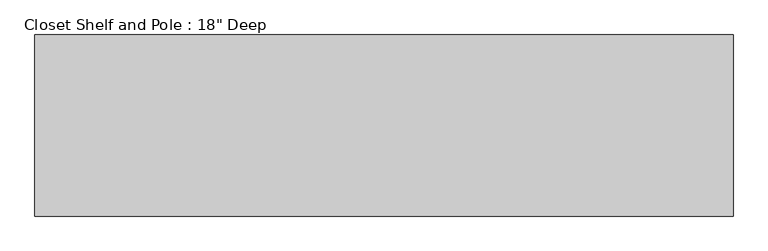
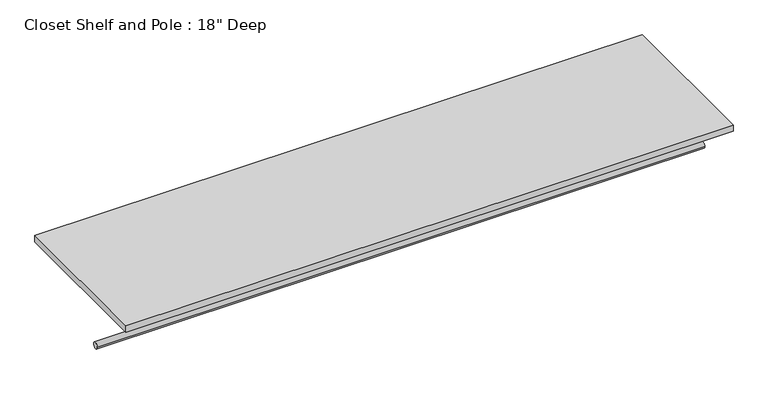
"""IFC4 building model written with IfcOpenShell, lengths in millimetres: proxy geometry."""

from ifc_helpers import new_model, si_unit, point, frame, frame_2d, origin, place, context, project, spatial, polyline, circle_curve, trimmed, segment, composite_curve, outline, extrude, source, transform, mapped, element, save


def proxy_4202829a(model_context):
    return source(origin(), model_context, "Body", "SweptSolid", [
        extrude(outline(composite_curve([segment(trimmed(circle_curve(frame_2d((-304.8, 1676.4)), 9.525), [point((-314.325, 1676.4))], [point((-295.275, 1676.4))], False, "CARTESIAN"), True, "CONTINUOUS"), segment(trimmed(circle_curve(frame_2d((-304.8, 1676.4)), 9.525), [point((-295.275, 1676.4))], [point((-314.325, 1676.4))], False, "CARTESIAN"), True, "CONTINUOUS")], self_intersect=False)), frame((0.0, 0.0, 0.0), z_axis=(1.0, 0.0, 0.0), x_axis=(0.0, 1.0, 0.0)), (0.0, 0.0, 1.0), 1762.3525962),
        extrude(outline(polyline([(1762.3525962, 0.0), (1762.3525962, -457.2), (0.0, -457.2), (0.0, 0.0), (1762.3525962, 0.0)])), frame((0.0, 0.0, 1809.75), z_axis=(0.0, 0.0, 1.0), x_axis=(1.0, 0.0, 0.0)), (0.0, 0.0, 1.0), 19.05),
    ])


if __name__ == "__main__":
    model = new_model("IFC4")
    model_context = context("Model", 3, world=origin())
    ifc_project = project(units=[si_unit("LENGTHUNIT", "METRE", prefix="MILLI")], contexts=[model_context])
    site = spatial("IfcSite", under=ifc_project)
    building = spatial("IfcBuilding", under=site)
    placement = place(None, origin())
    proxy_shape = proxy_4202829a(model_context)
    element("IfcBuildingElementProxy", 1, Name="Closet Shelf and Pole : 18\" Deep", ObjectType="Closet Shelf and Pole : 18\" Deep", at=placement, inside=building, context=model_context, shape_type="MappedRepresentation", body=[
        mapped(proxy_shape, transform((0.0, 0.0, 0.0), x_axis=(1.0, 0.0, 0.0), y_axis=(0.0, 1.0, 0.0), z_axis=(0.0, 0.0, 1.0))),
    ])
    save(model, "model.ifc")
